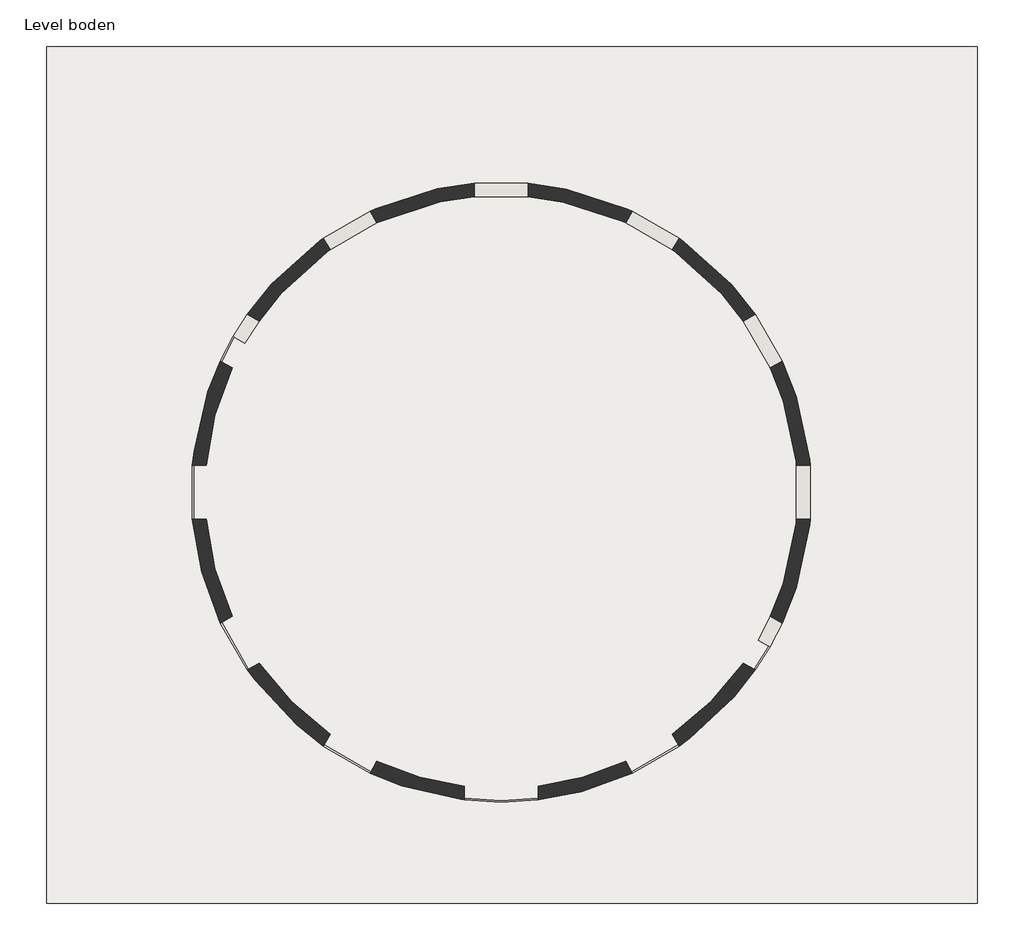
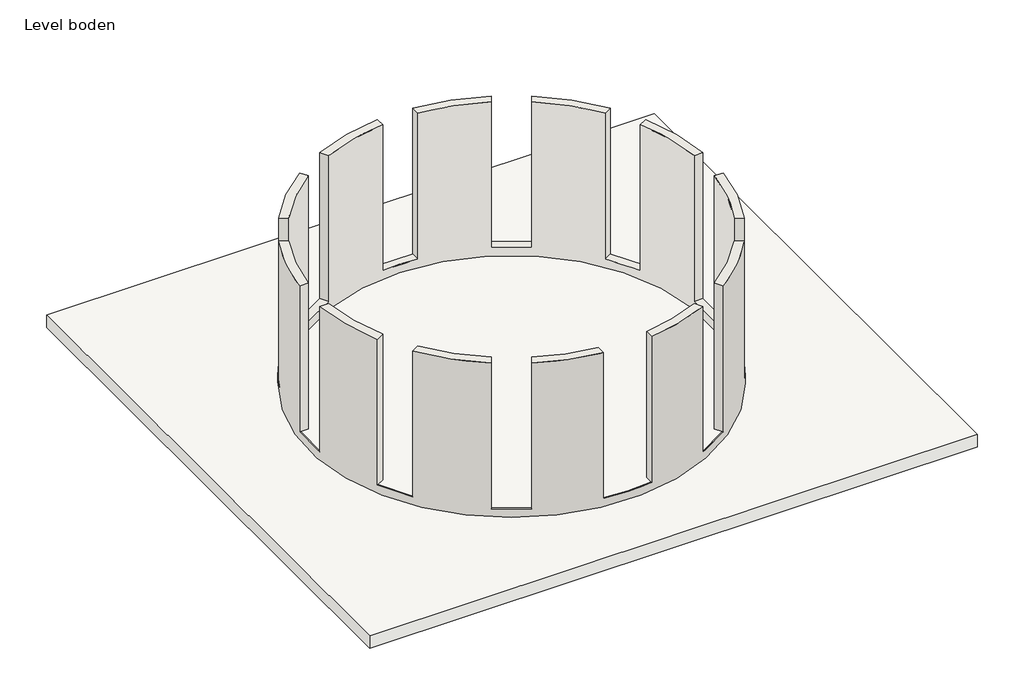
# One storey: 2 walls, 1 slab.
"""IFC4 building model written with IfcOpenShell, lengths in millimetres."""

from ifc_helpers import new_model, si_unit, frame, origin, place, context, project, spatial, polyline, circle_curve, outline, extrude, element, save
from ifc_brep_helpers import plane_surface, cylinder_surface, revolved_surface, advanced_brep

model = new_model("IFC4")

# Units and contexts
model_context = context("Model", 3, world=origin())
ifc_project = project(units=[si_unit("LENGTHUNIT", "METRE", prefix="MILLI")], contexts=[model_context])

# Site, building, storey
site = spatial("IfcSite", under=ifc_project)
building = spatial("IfcBuilding", under=site)
storey = spatial("IfcBuildingStorey", under=building, Name="Level boden", Elevation=0.0)

# Slab
placement = place(None, origin())
element("IfcSlab", 1, ObjectType="FLR-EX 01", at=placement, inside=storey, context=model_context, shape_type="SweptSolid", body=[
    extrude(outline(polyline([(7059.4135237, 6605.2256818), (7059.4135237, -6094.7743182), (-6740.5864763, -6094.7743182), (-6740.5864763, 6605.2256818), (7059.4135237, 6605.2256818)])), frame((0.0, 0.0, -300.0), z_axis=(0.0, 0.0, 1.0), x_axis=(1.0, 0.0, 0.0)), (0.0, 0.0, 1.0), 300.0),
])

# Walls
element("IfcWall", 2, ObjectType="Generic - 200mm", at=placement, inside=storey, context=model_context, shape_type="AdvancedBrep", body=[
    advanced_brep(
    [(4164.2803571, -1942.3681698, 3700.0), (4577.5566627, -400.0, 3700.0), (4376.7596461, -400.0, 3700.0), (3990.3850398, -1841.9696616, 3700.0), (4577.5566627, 400.0, 3700.0), (4164.2803571, 1942.3681698, 3700.0), (3990.3850398, 1841.9696616, 3700.0), (4376.7596461, 400.0, 3700.0), (400.0, 4376.7596461, 3700.0), (1841.9696616, 3990.3850398, 3700.0), (1942.3681698, 4164.2803571, 3700.0), (400.0, 4577.5566627, 3700.0), (2534.7899846, 3590.3850398, 3700.0), (3590.3850398, 2534.7899846, 3700.0), (3764.2803571, 2635.1884929, 3700.0), (2635.1884929, 3764.2803571, 3700.0), (-3590.3850398, 2534.7899846, 3700.0), (-2534.7899846, 3590.3850398, 3700.0), (-2635.1884929, 3764.2803571, 3700.0), (-3764.2803571, 2635.1884929, 3700.0), (-1841.9696616, 3990.3850398, 3700.0), (-400.0, 4376.7596461, 3700.0), (-400.0, 4577.5566627, 3700.0), (-1942.3681698, 4164.2803571, 3700.0), (3806.1816496, -2197.5, 0.0), (-3800.9769914, 2206.4901793, 0.0), (-3956.648404, 2296.8583777, 0.0), (-3973.9452276, 2306.8992887, 0.0), (3979.3867304, -2297.5, 0.0), (3962.0662223, -2287.5, 0.0), (-2534.7899846, 3590.3850398, 200.0), (-3590.3850398, 2534.7899846, 200.0), (-3800.9769914, 2206.4901793, 200.0), (3806.1816496, -2197.5, 200.0), (3990.3850398, -1841.9696616, 200.0), (4376.7596461, -400.0, 200.0), (4376.7596461, 400.0, 200.0), (3990.3850398, 1841.9696616, 200.0), (3590.3850398, 2534.7899846, 200.0), (2534.7899846, 3590.3850398, 200.0), (1841.9696616, 3990.3850398, 200.0), (400.0, 4376.7596461, 200.0), (-400.0, 4376.7596461, 200.0), (-1841.9696616, 3990.3850398, 200.0), (3979.3867304, -2297.5, 200.0), (3962.0662223, -2287.5, 200.0), (-2635.1884929, 3764.2803571, 200.0), (-1942.3681698, 4164.2803571, 200.0), (-400.0, 4577.5566627, 200.0), (400.0, 4577.5566627, 200.0), (1942.3681698, 4164.2803571, 200.0), (2635.1884929, 3764.2803571, 200.0), (3764.2803571, 2635.1884929, 200.0), (4164.2803571, 1942.3681698, 200.0), (4577.5566627, 400.0, 200.0), (4577.5566627, -400.0, 200.0), (4164.2803571, -1942.3681698, 200.0), (-3973.9452276, 2306.8992887, 200.0), (-3764.2803571, 2635.1884929, 200.0), (-3956.648404, 2296.8583777, 200.0)],
    [
        (0, 1, circle_curve(frame((0.0, 0.0, 3700.0), z_axis=(0.0, 0.0, 1.0), x_axis=(0.8660254037844108, -0.5000000000000482, 0.0)), 4595.0)),
        (1, 2),
        (2, 3, circle_curve(frame((0.0, 0.0, 3700.0), z_axis=(0.0, 0.0, -1.0), x_axis=(0.8660254037844108, -0.5000000000000482, 0.0)), 4395.0)),
        (3, 0),
        (4, 5, circle_curve(frame((0.0, 0.0, 3700.0), z_axis=(0.0, 0.0, 1.0), x_axis=(0.8660254037844108, -0.5000000000000482, 0.0)), 4595.0)),
        (5, 6),
        (6, 7, circle_curve(frame((0.0, 0.0, 3700.0), z_axis=(0.0, 0.0, -1.0), x_axis=(0.8660254037844108, -0.5000000000000482, 0.0)), 4395.0)),
        (7, 4),
        (8, 9, circle_curve(frame((0.0, 0.0, 3700.0), z_axis=(0.0, 0.0, -1.0), x_axis=(0.8660254037844108, -0.5000000000000482, 0.0)), 4395.0)),
        (9, 10),
        (10, 11, circle_curve(frame((0.0, 0.0, 3700.0), z_axis=(0.0, 0.0, 1.0), x_axis=(0.8660254037844108, -0.5000000000000482, 0.0)), 4595.0)),
        (11, 8),
        (12, 13, circle_curve(frame((0.0, 0.0, 3700.0), z_axis=(0.0, 0.0, -1.0), x_axis=(0.8660254037844108, -0.5000000000000482, 0.0)), 4395.0)),
        (13, 14),
        (14, 15, circle_curve(frame((0.0, 0.0, 3700.0), z_axis=(0.0, 0.0, 1.0), x_axis=(0.8660254037844108, -0.5000000000000482, 0.0)), 4595.0)),
        (15, 12),
        (16, 17, circle_curve(frame((0.0, 0.0, 3700.0), z_axis=(0.0, 0.0, -1.0), x_axis=(0.8660254037844108, -0.5000000000000482, 0.0)), 4395.0)),
        (17, 18),
        (18, 19, circle_curve(frame((0.0, 0.0, 3700.0), z_axis=(0.0, 0.0, 1.0), x_axis=(0.8660254037844108, -0.5000000000000482, 0.0)), 4595.0)),
        (19, 16),
        (20, 21, circle_curve(frame((0.0, 0.0, 3700.0), z_axis=(0.0, 0.0, -1.0), x_axis=(0.8660254037844108, -0.5000000000000482, 0.0)), 4395.0)),
        (21, 22),
        (22, 23, circle_curve(frame((0.0, 0.0, 3700.0), z_axis=(0.0, 0.0, 1.0), x_axis=(0.8660254037844108, -0.5000000000000482, 0.0)), 4595.0)),
        (23, 20),
        (24, 25, circle_curve(frame((0.0, 0.0, 0.0), z_axis=(0.0, 0.0, 1.0), x_axis=(0.8660254037844108, -0.5000000000000482, 0.0)), 4395.0)),
        (25, 26),
        (26, 27),
        (27, 28, circle_curve(frame((0.0, 0.0, 0.0), z_axis=(0.0, 0.0, -1.0), x_axis=(0.8660254037844108, -0.5000000000000482, 0.0)), 4595.0)),
        (28, 29),
        (29, 24),
        (30, 17),
        (16, 31),
        (31, 32, circle_curve(frame((0.0, 0.0, 200.0), z_axis=(0.0, 0.0, 1.0), x_axis=(0.8660254037844108, -0.5000000000000482, 0.0)), 4395.0)),
        (32, 25),
        (24, 33),
        (33, 34, circle_curve(frame((0.0, 0.0, 200.0), z_axis=(0.0, 0.0, 1.0), x_axis=(0.8660254037844108, -0.5000000000000482, 0.0)), 4395.0)),
        (34, 3),
        (2, 35),
        (35, 36, circle_curve(frame((0.0, 0.0, 200.0), z_axis=(0.0, 0.0, 1.0), x_axis=(0.8660254037844108, -0.5000000000000482, 0.0)), 4395.0)),
        (36, 7),
        (6, 37),
        (37, 38, circle_curve(frame((0.0, 0.0, 200.0), z_axis=(0.0, 0.0, 1.0), x_axis=(0.8660254037844108, -0.5000000000000482, 0.0)), 4395.0)),
        (38, 13),
        (12, 39),
        (39, 40, circle_curve(frame((0.0, 0.0, 200.0), z_axis=(0.0, 0.0, 1.0), x_axis=(0.8660254037844108, -0.5000000000000482, 0.0)), 4395.0)),
        (40, 9),
        (8, 41),
        (41, 42, circle_curve(frame((0.0, 0.0, 200.0), z_axis=(0.0, 0.0, 1.0), x_axis=(0.8660254037844108, -0.5000000000000482, 0.0)), 4395.0)),
        (42, 21),
        (20, 43),
        (43, 30, circle_curve(frame((0.0, 0.0, 200.0), z_axis=(0.0, 0.0, 1.0), x_axis=(0.8660254037844108, -0.5000000000000482, 0.0)), 4395.0)),
        (28, 44),
        (44, 45),
        (45, 33),
        (18, 46),
        (46, 47, circle_curve(frame((0.0, 0.0, 200.0), z_axis=(0.0, 0.0, -1.0), x_axis=(0.8660254037844108, -0.5000000000000482, 0.0)), 4595.0)),
        (47, 23),
        (22, 48),
        (48, 49, circle_curve(frame((0.0, 0.0, 200.0), z_axis=(0.0, 0.0, -1.0), x_axis=(0.8660254037844108, -0.5000000000000482, 0.0)), 4595.0)),
        (49, 11),
        (10, 50),
        (50, 51, circle_curve(frame((0.0, 0.0, 200.0), z_axis=(0.0, 0.0, -1.0), x_axis=(0.8660254037844108, -0.5000000000000482, 0.0)), 4595.0)),
        (51, 15),
        (14, 52),
        (52, 53, circle_curve(frame((0.0, 0.0, 200.0), z_axis=(0.0, 0.0, -1.0), x_axis=(0.8660254037844108, -0.5000000000000482, 0.0)), 4595.0)),
        (53, 5),
        (4, 54),
        (54, 55, circle_curve(frame((0.0, 0.0, 200.0), z_axis=(0.0, 0.0, -1.0), x_axis=(0.8660254037844108, -0.5000000000000482, 0.0)), 4595.0)),
        (55, 1),
        (0, 56),
        (56, 44, circle_curve(frame((0.0, 0.0, 200.0), z_axis=(0.0, 0.0, -1.0), x_axis=(0.8660254037844108, -0.5000000000000482, 0.0)), 4595.0)),
        (27, 57),
        (57, 58, circle_curve(frame((0.0, 0.0, 200.0), z_axis=(0.0, 0.0, -1.0), x_axis=(0.8660254037844108, -0.5000000000000482, 0.0)), 4595.0)),
        (58, 19),
        (32, 59),
        (59, 57),
        (38, 52),
        (53, 37),
        (58, 31),
        (34, 56),
        (36, 54),
        (55, 35),
        (47, 43),
        (30, 46),
        (51, 39),
        (40, 50),
        (49, 41),
        (42, 48),
    ],
    [
        plane_surface(frame((3806.1816496, -2197.5, 3700.0), z_axis=(0.0, 0.0, 1.0), x_axis=(-0.5000000000000482, -0.8660254037844108, 0.0))),
        plane_surface(frame((3806.1816496, -2197.5, 0.0), z_axis=(0.0, 0.0, -1.0), x_axis=(0.5000000000000482, 0.8660254037844108, 0.0))),
        revolved_surface(polyline([(3806.1816496324855, -2197.500000000212, 0.0), (3806.1816496324855, -2197.500000000212, 3700.0)]), (0.0, 0.0, 0.0), (0.0, 0.0, -1.0)),
        plane_surface(frame((3806.1816496, -2197.5, 3700.0), z_axis=(-0.5000000000001714, -0.8660254037843397, 0.0), x_axis=(0.0, 0.0, -1.0))),
        cylinder_surface(frame((0.0, 0.0, 0.0), z_axis=(0.0, 0.0, 1.0), x_axis=(0.8660254037844108, -0.5000000000000482, 0.0)), 4595.0),
        plane_surface(frame((-3973.9452276, 2306.8992887, 3700.0), z_axis=(-0.5020455470466799, -0.8648411811949058, 0.0), x_axis=(0.0, 0.0, -1.0))),
        plane_surface(frame((3590.3850398, 2534.7899846, 200.0), z_axis=(0.49999999999993183, -0.866025403784478, 0.0), x_axis=(0.866025403784478, 0.49999999999993183, 0.0))),
        plane_surface(frame((3990.3850398, 1841.9696616, 3700.0), z_axis=(-0.4999999999999276, 0.8660254037844805, 0.0), x_axis=(0.8660254037844805, 0.4999999999999276, 0.0))),
        plane_surface(frame((3990.3850398, 1841.9696616, 200.0), z_axis=(0.0, 0.0, 1.0), x_axis=(0.8660254037845501, 0.49999999999980704, 0.0))),
        plane_surface(frame((-4910.8979917, 3297.1884929, 3700.0), z_axis=(-0.5000000000000664, -0.8660254037844004, 0.0), x_axis=(0.8660254037844004, -0.5000000000000664, 0.0))),
        plane_surface(frame((-4910.8979917, 3297.1884929, 200.0), z_axis=(0.0, 0.0, 1.0), x_axis=(0.8660254037844004, -0.5000000000000664, 0.0))),
        plane_surface(frame((5310.8979917, -2604.3681698, 200.0), z_axis=(-0.50000000000008, -0.8660254037843925, 0.0), x_axis=(-0.8660254037843925, 0.50000000000008, 0.0))),
        plane_surface(frame((4910.8979917, -3297.1884929, 200.0), z_axis=(0.0, 0.0, 1.0000000000000002), x_axis=(-0.8660254037843926, 0.5000000000000799, 0.0))),
        plane_surface(frame((4376.7596461, 400.0, 200.0), z_axis=(0.0, -1.0, 0.0), x_axis=(1.0, 0.0, 0.0))),
        plane_surface(frame((4376.7596461, -400.0, 3700.0), z_axis=(0.0, 1.0, 0.0), x_axis=(1.0, 0.0, 0.0))),
        plane_surface(frame((4376.7596461, -400.0, 200.0), z_axis=(0.0, 0.0, 1.0), x_axis=(1.0, 0.0, 0.0))),
        plane_surface(frame((-1942.3681698, 4164.2803571, 200.0), z_axis=(-0.866025403784399, -0.5000000000000688, 0.0), x_axis=(0.5000000000000688, -0.866025403784399, 0.0))),
        plane_surface(frame((-2635.1884929, 3764.2803571, 3700.0), z_axis=(0.866025403784399, 0.5000000000000688, 0.0), x_axis=(0.5000000000000688, -0.866025403784399, 0.0))),
        plane_surface(frame((-2635.1884929, 3764.2803571, 200.0), z_axis=(0.0, 0.0, 1.0), x_axis=(0.4999999999999416, -0.8660254037844723, 0.0))),
        plane_surface(frame((2635.1884929, 3764.2803571, 200.0), z_axis=(-0.8660254037844842, 0.4999999999999211, 0.0), x_axis=(-0.4999999999999211, -0.8660254037844842, 0.0))),
        plane_surface(frame((1942.3681698, 4164.2803571, 3700.0), z_axis=(0.8660254037844776, -0.49999999999993266, 0.0), x_axis=(-0.49999999999993266, -0.8660254037844776, 0.0))),
        plane_surface(frame((1942.3681698, 4164.2803571, 200.0), z_axis=(0.0, 0.0, 1.0), x_axis=(-0.5000000000000491, -0.8660254037844103, 0.0))),
        plane_surface(frame((400.0, 4577.5566627, 200.0), z_axis=(-1.0, 0.0, 0.0), x_axis=(0.0, -1.0, 0.0))),
        plane_surface(frame((-400.0, 4577.5566627, 3700.0), z_axis=(1.0, 0.0, 0.0), x_axis=(0.0, -1.0, 0.0))),
        plane_surface(frame((-400.0, 4577.5566627, 200.0), z_axis=(0.0, 0.0, 1.0), x_axis=(0.0, -1.0, 0.0))),
    ],
    [
        (0, [[1, 2, 3, 4]]),
        (0, [[5, 6, 7, 8]]),
        (0, [[9, 10, 11, 12]]),
        (0, [[13, 14, 15, 16]]),
        (0, [[17, 18, 19, 20]]),
        (0, [[21, 22, 23, 24]]),
        (1, [[25, 26, 27, 28, 29, 30]]),
        (2, [[31, -17, 32, 33, 34, -25, 35, 36, 37, -3, 38, 39, 40, -7, 41, 42, 43, -13, 44, 45, 46, -9, 47, 48, 49, -21, 50, 51]]),
        (3, [[-30, -29, 52, 53, 54, -35]]),
        (4, [[-19, 55, 56, 57, -23, 58, 59, 60, -11, 61, 62, 63, -15, 64, 65, 66, -5, 67, 68, 69, -1, 70, 71, -52, -28, 72, 73, 74]]),
        (5, [[-27, -26, -34, 75, 76, -72]]),
        (6, [[-43, 77, -64, -14]]),
        (7, [[-41, -6, -66, 78]]),
        (8, [[-42, -78, -65, -77]]),
        (9, [[79, -32, -20, -74]]),
        (10, [[-79, -73, -76, -75, -33]]),
        (11, [[80, -70, -4, -37]]),
        (12, [[-80, -36, -54, -53, -71]]),
        (13, [[-40, 81, -67, -8]]),
        (14, [[-38, -2, -69, 82]]),
        (15, [[-39, -82, -68, -81]]),
        (16, [[-57, 83, -50, -24]]),
        (17, [[-55, -18, -31, 84]]),
        (18, [[-56, -84, -51, -83]]),
        (19, [[-63, 85, -44, -16]]),
        (20, [[-61, -10, -46, 86]]),
        (21, [[-62, -86, -45, -85]]),
        (22, [[-60, 87, -47, -12]]),
        (23, [[-58, -22, -49, 88]]),
        (24, [[-59, -88, -48, -87]]),
    ],
),
])
element("IfcWall", 3, ObjectType="Generic - 200mm", at=placement, inside=storey, context=model_context, shape_type="AdvancedBrep", body=[
    advanced_brep(
    [(2534.7899846, -3590.3850398, 3700.0), (2635.1884929, -3764.2803571, 3700.0), (3764.2803571, -2635.1884929, 3700.0), (3590.3850398, -2534.7899846, 3700.0), (1942.3681698, -4164.2803571, 3700.0), (1841.9696616, -3990.3850398, 3700.0), (550.0, -4360.4500914, 3700.0), (550.0, -4561.9650371, 3700.0), (-1841.9696616, -3990.3850398, 3700.0), (-1942.3681698, -4164.2803571, 3700.0), (-550.0, -4561.9650371, 3700.0), (-550.0, -4360.4500914, 3700.0), (-2635.1884929, -3764.2803571, 3700.0), (-2534.7899846, -3590.3850398, 3700.0), (-3590.3850398, -2534.7899846, 3700.0), (-3764.2803571, -2635.1884929, 3700.0), (-4164.2803571, -1942.3681698, 3700.0), (-3990.3850398, -1841.9696616, 3700.0), (-4376.7596461, -400.0, 3700.0), (-4577.5566627, -400.0, 3700.0), (-4577.5566627, 400.0, 3700.0), (-4376.7596461, 400.0, 3700.0), (-3990.3850398, 1841.9696616, 3700.0), (-4164.2803571, 1942.3681698, 3700.0), (3979.3867304, -2297.5, 0.0), (-3973.9452276, 2306.8992887, 0.0), (-3956.648404, 2296.8583777, 0.0), (-3962.0662223, 2287.5, 0.0), (3962.0662223, -2287.5, 0.0), (-3990.3850398, 1841.9696616, 200.0), (-4376.7596461, 400.0, 200.0), (-4344.0196605, 667.4714895, 200.0), (-4310.331914, 858.5241936, 200.0), (2534.7899846, -3590.3850398, 200.0), (3590.3850398, -2534.7899846, 200.0), (1841.9696616, -3990.3850398, 200.0), (550.0, -4360.4500914, 200.0), (-1841.9696616, -3990.3850398, 200.0), (-550.0, -4360.4500914, 200.0), (-2534.7899846, -3590.3850398, 200.0), (-3590.3850398, -2534.7899846, 200.0), (-3990.3850398, -1841.9696616, 200.0), (-4376.7596461, -400.0, 200.0), (-3973.9452276, 2306.8992887, 200.0), (-3956.648404, 2296.8583777, 200.0), (3979.3867304, -2297.5, 200.0), (3764.2803571, -2635.1884929, 200.0), (2635.1884929, -3764.2803571, 200.0), (1942.3681698, -4164.2803571, 200.0), (550.0, -4561.9650371, 200.0), (-550.0, -4561.9650371, 200.0), (-1942.3681698, -4164.2803571, 200.0), (-2635.1884929, -3764.2803571, 200.0), (-3764.2803571, -2635.1884929, 200.0), (-4164.2803571, -1942.3681698, 200.0), (-4577.5566627, -400.0, 200.0), (-4577.5566627, 400.0, 200.0), (-4164.2803571, 1942.3681698, 200.0), (3962.0662223, -2287.5, 200.0), (3746.893557, -2625.1502191, 200.0), (2625.1502191, -3746.893557, 200.0), (-4557.4801152, 400.0, 200.0), (-4146.893557, 1932.3298961, 200.0), (-4146.893557, -1932.3298961, 200.0), (-4557.4801152, -400.0, 200.0), (-2625.1502191, -3746.893557, 200.0), (-3746.893557, -2625.1502191, 200.0), (-550.0, -4541.8195693, 200.0), (-1932.3298961, -4146.893557, 200.0), (1932.3298961, -4146.893557, 200.0), (550.0, -4541.8195693, 200.0), (-3962.0662223, 2287.5, 200.0)],
    [
        (0, 1),
        (1, 2, circle_curve(frame((0.0, 0.0, 3700.0), z_axis=(0.0, 0.0, 1.0), x_axis=(0.8660254037844108, -0.5000000000000482, 0.0)), 4595.0)),
        (2, 3),
        (3, 0, circle_curve(frame((0.0, 0.0, 3700.0), z_axis=(0.0, 0.0, -1.0), x_axis=(0.8660254037844108, -0.5000000000000482, 0.0)), 4395.0)),
        (4, 5),
        (5, 6, circle_curve(frame((0.0, 0.0, 3700.0), z_axis=(0.0, 0.0, -1.0), x_axis=(0.8660254037844108, -0.5000000000000482, 0.0)), 4395.0)),
        (6, 7),
        (7, 4, circle_curve(frame((0.0, 0.0, 3700.0), z_axis=(0.0, 0.0, 1.0), x_axis=(0.8660254037844108, -0.5000000000000482, 0.0)), 4595.0)),
        (8, 9),
        (9, 10, circle_curve(frame((0.0, 0.0, 3700.0), z_axis=(0.0, 0.0, 1.0), x_axis=(0.8660254037844108, -0.5000000000000482, 0.0)), 4595.0)),
        (10, 11),
        (11, 8, circle_curve(frame((0.0, 0.0, 3700.0), z_axis=(0.0, 0.0, -1.0), x_axis=(0.8660254037844108, -0.5000000000000482, 0.0)), 4395.0)),
        (12, 13),
        (13, 14, circle_curve(frame((0.0, 0.0, 3700.0), z_axis=(0.0, 0.0, -1.0), x_axis=(0.8660254037844108, -0.5000000000000482, 0.0)), 4395.0)),
        (14, 15),
        (15, 12, circle_curve(frame((0.0, 0.0, 3700.0), z_axis=(0.0, 0.0, 1.0), x_axis=(0.8660254037844108, -0.5000000000000482, 0.0)), 4595.0)),
        (16, 17),
        (17, 18, circle_curve(frame((0.0, 0.0, 3700.0), z_axis=(0.0, 0.0, -1.0), x_axis=(0.8660254037844108, -0.5000000000000482, 0.0)), 4395.0)),
        (18, 19),
        (19, 16, circle_curve(frame((0.0, 0.0, 3700.0), z_axis=(0.0, 0.0, 1.0), x_axis=(0.8660254037844108, -0.5000000000000482, 0.0)), 4595.0)),
        (20, 21),
        (21, 22, circle_curve(frame((0.0, 0.0, 3700.0), z_axis=(0.0, 0.0, -1.0), x_axis=(0.8660254037844108, -0.5000000000000482, 0.0)), 4395.0)),
        (22, 23),
        (23, 20, circle_curve(frame((0.0, 0.0, 3700.0), z_axis=(0.0, 0.0, 1.0), x_axis=(0.8660254037844108, -0.5000000000000482, 0.0)), 4595.0)),
        (24, 25, circle_curve(frame((0.0, 0.0, 0.0), z_axis=(0.0, 0.0, -1.0), x_axis=(0.8660254037844108, -0.5000000000000482, 0.0)), 4595.0)),
        (25, 26),
        (26, 27, circle_curve(frame((0.0, 0.0, 0.0), z_axis=(0.0, 0.0, 1.0), x_axis=(0.8660254037844108, -0.5000000000000482, 0.0)), 4575.0)),
        (27, 28, circle_curve(frame((0.0, 0.0, 0.0), z_axis=(0.0, 0.0, 1.0), x_axis=(0.8660254037844108, -0.5000000000000482, 0.0)), 4575.0)),
        (28, 24),
        (29, 22),
        (21, 30),
        (30, 31, circle_curve(frame((0.0, 0.0, 200.0), z_axis=(0.0, 0.0, -1.0), x_axis=(0.8660254037844108, -0.5000000000000482, 0.0)), 4395.0)),
        (31, 32, circle_curve(frame((0.0, 0.0, 200.0), z_axis=(0.0, 0.0, -1.0), x_axis=(0.8660254037844108, -0.5000000000000482, 0.0)), 4395.0)),
        (32, 29, circle_curve(frame((0.0, 0.0, 200.0), z_axis=(0.0, 0.0, -1.0), x_axis=(0.8660254037844108, -0.5000000000000482, 0.0)), 4395.0)),
        (33, 0),
        (3, 34),
        (34, 33, circle_curve(frame((0.0, 0.0, 200.0), z_axis=(0.0, 0.0, -1.0), x_axis=(0.8660254037844108, -0.5000000000000482, 0.0)), 4395.0)),
        (5, 35),
        (35, 36, circle_curve(frame((0.0, 0.0, 200.0), z_axis=(0.0, 0.0, -1.0), x_axis=(0.8660254037844108, -0.5000000000000482, 0.0)), 4395.0)),
        (36, 6),
        (37, 8),
        (11, 38),
        (38, 37, circle_curve(frame((0.0, 0.0, 200.0), z_axis=(0.0, 0.0, -1.0), x_axis=(0.8660254037844108, -0.5000000000000482, 0.0)), 4395.0)),
        (13, 39),
        (39, 40, circle_curve(frame((0.0, 0.0, 200.0), z_axis=(0.0, 0.0, -1.0), x_axis=(0.8660254037844108, -0.5000000000000482, 0.0)), 4395.0)),
        (40, 14),
        (17, 41),
        (41, 42, circle_curve(frame((0.0, 0.0, 200.0), z_axis=(0.0, 0.0, -1.0), x_axis=(0.8660254037844108, -0.5000000000000482, 0.0)), 4395.0)),
        (42, 18),
        (25, 43),
        (43, 44),
        (44, 26),
        (24, 45),
        (45, 46, circle_curve(frame((0.0, 0.0, 200.0), z_axis=(0.0, 0.0, -1.0), x_axis=(0.8660254037844108, -0.5000000000000482, 0.0)), 4595.0)),
        (46, 2),
        (1, 47),
        (47, 48, circle_curve(frame((0.0, 0.0, 200.0), z_axis=(0.0, 0.0, -1.0), x_axis=(0.8660254037844108, -0.5000000000000482, 0.0)), 4595.0)),
        (48, 4),
        (7, 49),
        (49, 50, circle_curve(frame((0.0, 0.0, 200.0), z_axis=(0.0, 0.0, -1.0), x_axis=(0.8660254037844108, -0.5000000000000482, 0.0)), 4595.0)),
        (50, 10),
        (9, 51),
        (51, 52, circle_curve(frame((0.0, 0.0, 200.0), z_axis=(0.0, 0.0, -1.0), x_axis=(0.8660254037844108, -0.5000000000000482, 0.0)), 4595.0)),
        (52, 12),
        (15, 53),
        (53, 54, circle_curve(frame((0.0, 0.0, 200.0), z_axis=(0.0, 0.0, -1.0), x_axis=(0.8660254037844108, -0.5000000000000482, 0.0)), 4595.0)),
        (54, 16),
        (19, 55),
        (55, 56, circle_curve(frame((0.0, 0.0, 200.0), z_axis=(0.0, 0.0, -1.0), x_axis=(0.8660254037844108, -0.5000000000000482, 0.0)), 4595.0)),
        (56, 20),
        (23, 57),
        (57, 43, circle_curve(frame((0.0, 0.0, 200.0), z_axis=(0.0, 0.0, -1.0), x_axis=(0.8660254037844108, -0.5000000000000482, 0.0)), 4595.0)),
        (28, 58),
        (58, 45),
        (59, 60, circle_curve(frame((0.0, 0.0, 200.0), z_axis=(0.0, 0.0, -1.0), x_axis=(0.8660254037844108, -0.5000000000000482, 0.0)), 4575.0)),
        (60, 33),
        (34, 59),
        (61, 62, circle_curve(frame((0.0, 0.0, 200.0), z_axis=(0.0, 0.0, -1.0), x_axis=(0.8660254037844108, -0.5000000000000482, 0.0)), 4575.0)),
        (62, 29),
        (30, 61),
        (63, 64, circle_curve(frame((0.0, 0.0, 200.0), z_axis=(0.0, 0.0, -1.0), x_axis=(0.8660254037844108, -0.5000000000000482, 0.0)), 4575.0)),
        (64, 42),
        (41, 63),
        (65, 66, circle_curve(frame((0.0, 0.0, 200.0), z_axis=(0.0, 0.0, -1.0), x_axis=(0.8660254037844108, -0.5000000000000482, 0.0)), 4575.0)),
        (66, 40),
        (39, 65),
        (67, 68, circle_curve(frame((0.0, 0.0, 200.0), z_axis=(0.0, 0.0, -1.0), x_axis=(0.8660254037844108, -0.5000000000000482, 0.0)), 4575.0)),
        (68, 37),
        (38, 67),
        (69, 70, circle_curve(frame((0.0, 0.0, 200.0), z_axis=(0.0, 0.0, -1.0), x_axis=(0.8660254037844108, -0.5000000000000482, 0.0)), 4575.0)),
        (70, 36),
        (35, 69),
        (71, 27),
        (44, 71, circle_curve(frame((0.0, 0.0, 200.0), z_axis=(0.0, 0.0, 1.0), x_axis=(0.8660254037844108, -0.5000000000000482, 0.0)), 4575.0)),
        (71, 62, circle_curve(frame((0.0, 0.0, 200.0), z_axis=(0.0, 0.0, 1.0), x_axis=(0.8660254037844108, -0.5000000000000482, 0.0)), 4575.0)),
        (61, 64, circle_curve(frame((0.0, 0.0, 200.0), z_axis=(0.0, 0.0, 1.0), x_axis=(0.8660254037844108, -0.5000000000000482, 0.0)), 4575.0)),
        (63, 66, circle_curve(frame((0.0, 0.0, 200.0), z_axis=(0.0, 0.0, 1.0), x_axis=(0.8660254037844108, -0.5000000000000482, 0.0)), 4575.0)),
        (65, 68, circle_curve(frame((0.0, 0.0, 200.0), z_axis=(0.0, 0.0, 1.0), x_axis=(0.8660254037844108, -0.5000000000000482, 0.0)), 4575.0)),
        (67, 70, circle_curve(frame((0.0, 0.0, 200.0), z_axis=(0.0, 0.0, 1.0), x_axis=(0.8660254037844108, -0.5000000000000482, 0.0)), 4575.0)),
        (69, 60, circle_curve(frame((0.0, 0.0, 200.0), z_axis=(0.0, 0.0, 1.0), x_axis=(0.8660254037844108, -0.5000000000000482, 0.0)), 4575.0)),
        (59, 58, circle_curve(frame((0.0, 0.0, 200.0), z_axis=(0.0, 0.0, 1.0), x_axis=(0.8660254037844108, -0.5000000000000482, 0.0)), 4575.0)),
        (62, 57),
        (60, 47),
        (48, 69),
        (46, 59),
        (68, 51),
        (52, 65),
        (66, 53),
        (54, 63),
        (64, 55),
        (56, 61),
        (50, 67),
        (70, 49),
    ],
    [
        plane_surface(frame((3806.1816496, -2197.5, 3700.0), z_axis=(0.0, 0.0, 1.0), x_axis=(-0.5000000000000482, -0.8660254037844108, 0.0))),
        plane_surface(frame((3806.1816496, -2197.5, 0.0), z_axis=(0.0, 0.0, -1.0), x_axis=(0.5000000000000482, 0.8660254037844108, 0.0))),
        revolved_surface(polyline([(3806.1816496324855, -2197.500000000212, 200.0), (3806.1816496324855, -2197.500000000212, 3700.0)]), (0.0, 0.0, 0.0), (0.0, 0.0, -1.0)),
        plane_surface(frame((-3800.9769914, 2206.4901793, 3700.0), z_axis=(0.502045547046659, 0.864841181194918, 0.0), x_axis=(0.0, 0.0, -1.0))),
        cylinder_surface(frame((0.0, 0.0, 0.0), z_axis=(0.0, 0.0, 1.0), x_axis=(0.8660254037844108, -0.5000000000000482, 0.0)), 4595.0),
        plane_surface(frame((3979.3867304, -2297.5, 3700.0), z_axis=(0.5000000000001714, 0.8660254037843397, 0.0), x_axis=(0.0, 0.0, -1.0))),
        plane_surface(frame((3962.0662223, -2287.5, 200.0), z_axis=(0.0, 0.0, -1.0), x_axis=(0.5000000000000482, 0.8660254037844108, 0.0))),
        revolved_surface(polyline([(3962.0662223136796, -2287.5000000002206, 0.0), (3962.0662223136796, -2287.5000000002206, 200.0)]), (0.0, 0.0, 200.0), (0.0, 0.0, -1.0)),
        plane_surface(frame((-5310.8979917, 2604.3681698, 200.0), z_axis=(0.5000000000000664, 0.8660254037844003, 0.0), x_axis=(0.8660254037844003, -0.5000000000000664, 0.0))),
        plane_surface(frame((-4910.8979917, 3297.1884929, 200.0), z_axis=(0.0, 0.0, 1.0), x_axis=(0.8660254037844004, -0.5000000000000664, 0.0))),
        plane_surface(frame((2534.7899846, -3590.3850398, 200.0), z_axis=(-0.8660254037844769, -0.49999999999993383, 0.0), x_axis=(0.49999999999993383, -0.8660254037844769, 0.0))),
        plane_surface(frame((1841.9696616, -3990.3850398, 3700.0), z_axis=(0.8660254037844883, 0.499999999999914, 0.0), x_axis=(0.499999999999914, -0.8660254037844883, 0.0))),
        plane_surface(frame((1841.9696616, -3990.3850398, 200.0), z_axis=(0.0, 0.0, 1.0), x_axis=(0.49999999999967987, -0.8660254037846234, 0.0))),
        plane_surface(frame((4910.8979917, -3297.1884929, 3700.0), z_axis=(0.5000000000000799, 0.8660254037843926, 0.0), x_axis=(-0.8660254037843926, 0.5000000000000799, 0.0))),
        plane_surface(frame((4910.8979917, -3297.1884929, 200.0), z_axis=(0.0, 0.0, 1.0000000000000002), x_axis=(-0.8660254037843926, 0.5000000000000799, 0.0))),
        plane_surface(frame((-1841.9696616, -3990.3850398, 200.0), z_axis=(-0.8660254037844158, 0.5000000000000396, 0.0), x_axis=(-0.5000000000000396, -0.8660254037844158, 0.0))),
        plane_surface(frame((-2534.7899846, -3590.3850398, 3700.0), z_axis=(0.8660254037843833, -0.500000000000096, 0.0), x_axis=(-0.500000000000096, -0.8660254037843833, 0.0))),
        plane_surface(frame((-2534.7899846, -3590.3850398, 200.0), z_axis=(0.0, 0.0, 1.0), x_axis=(-0.500000000000318, -0.8660254037842551, 0.0))),
        plane_surface(frame((-3590.3850398, -2534.7899846, 200.0), z_axis=(-0.49999999999992545, 0.8660254037844817, 0.0), x_axis=(-0.8660254037844817, -0.49999999999992545, 0.0))),
        plane_surface(frame((-3990.3850398, -1841.9696616, 3700.0), z_axis=(0.49999999999992023, -0.8660254037844847, 0.0), x_axis=(-0.8660254037844847, -0.49999999999992023, 0.0))),
        plane_surface(frame((-3990.3850398, -1841.9696616, 200.0), z_axis=(0.0, 0.0, 1.0), x_axis=(-0.8660254037846326, -0.49999999999966427, 0.0))),
        plane_surface(frame((-4376.7596461, -400.0, 200.0), z_axis=(0.0, 1.0, 0.0), x_axis=(-1.0, 0.0, 0.0))),
        plane_surface(frame((-4376.7596461, 400.0, 3700.0), z_axis=(0.0, -1.0, 0.0), x_axis=(-1.0, 0.0, 0.0))),
        plane_surface(frame((-4376.7596461, 400.0, 200.0), z_axis=(0.0, 0.0, 1.0), x_axis=(-1.0, 0.0, 0.0))),
        plane_surface(frame((-550.0, -2837.9650371, 200.0), z_axis=(1.0, 0.0, 0.0), x_axis=(0.0, -1.0, 0.0))),
        plane_surface(frame((550.0, -2837.9650371, 3700.0), z_axis=(-1.0, 0.0, 0.0), x_axis=(0.0, -1.0, 0.0))),
        plane_surface(frame((550.0, -2837.9650371, 200.0), z_axis=(0.0, 0.0, 1.0), x_axis=(0.0, -1.0, 0.0))),
    ],
    [
        (0, [[1, 2, 3, 4]]),
        (0, [[5, 6, 7, 8]]),
        (0, [[9, 10, 11, 12]]),
        (0, [[13, 14, 15, 16]]),
        (0, [[17, 18, 19, 20]]),
        (0, [[21, 22, 23, 24]]),
        (1, [[25, 26, 27, 28, 29]]),
        (2, [[30, -22, 31, 32, 33, 34]]),
        (2, [[35, -4, 36, 37]]),
        (2, [[38, 39, 40, -6]]),
        (2, [[41, -12, 42, 43]]),
        (2, [[44, 45, 46, -14]]),
        (2, [[47, 48, 49, -18]]),
        (3, [[50, 51, 52, -26]]),
        (4, [[-25, 53, 54, 55, -2, 56, 57, 58, -8, 59, 60, 61, -10, 62, 63, 64, -16, 65, 66, 67, -20, 68, 69, 70, -24, 71, 72, -50]]),
        (5, [[-53, -29, 73, 74]]),
        (6, [[75, 76, -37, 77]]),
        (6, [[78, 79, -34, -33, -32, 80]]),
        (6, [[81, 82, -48, 83]]),
        (6, [[84, 85, -45, 86]]),
        (6, [[87, 88, -43, 89]]),
        (6, [[90, 91, -39, 92]]),
        (7, [[93, -27, -52, 94]]),
        (7, [[-93, 95, -78, 96, -81, 97, -84, 98, -87, 99, -90, 100, -75, 101, -73, -28]]),
        (8, [[-30, -79, 102, -71, -23]]),
        (9, [[-72, -102, -95, -94, -51]]),
        (10, [[-35, -76, 103, -56, -1]]),
        (11, [[-38, -5, -58, 104, -92]]),
        (12, [[-57, -103, -100, -104]]),
        (13, [[-36, -3, -55, 105, -77]]),
        (14, [[-54, -74, -101, -105]]),
        (15, [[-41, -88, 106, -62, -9]]),
        (16, [[-44, -13, -64, 107, -86]]),
        (17, [[-63, -106, -98, -107]]),
        (18, [[-46, -85, 108, -65, -15]]),
        (19, [[-47, -17, -67, 109, -83]]),
        (20, [[-66, -108, -97, -109]]),
        (21, [[-49, -82, 110, -68, -19]]),
        (22, [[-31, -21, -70, 111, -80]]),
        (23, [[-69, -110, -96, -111]]),
        (24, [[-42, -11, -61, 112, -89]]),
        (25, [[-59, -7, -40, -91, 113]]),
        (26, [[-60, -113, -99, -112]]),
    ],
),
])

save(model, "model.ifc")
